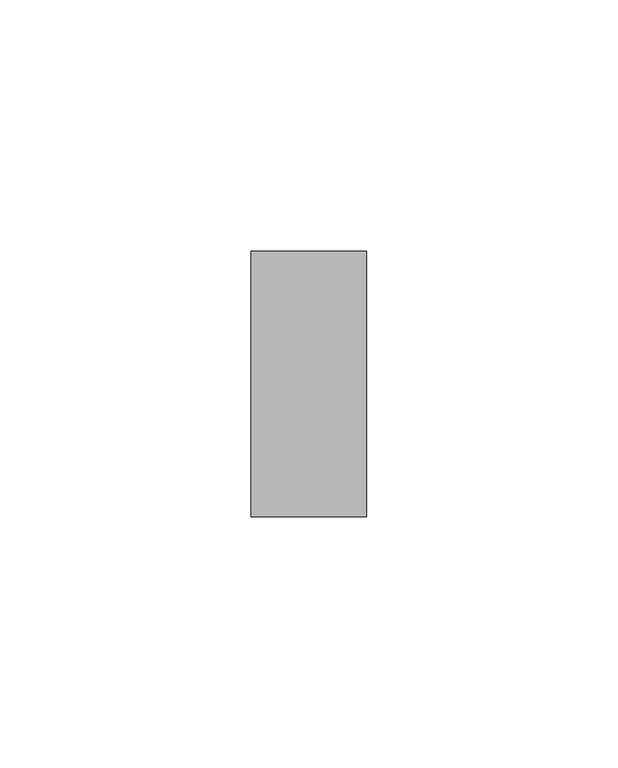
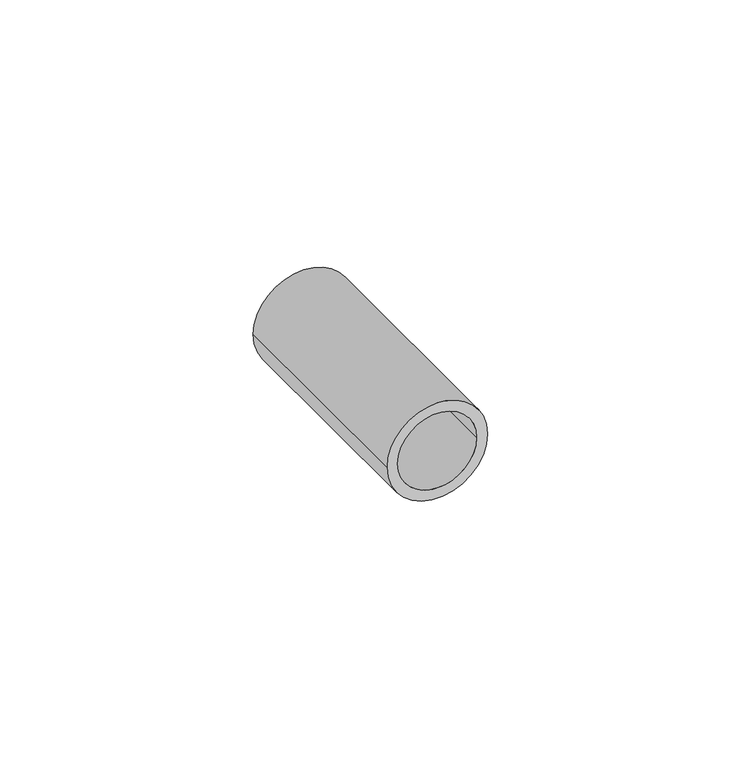
"""IFC4 building model written with IfcOpenShell, lengths in millimetres: proxy geometry."""

from ifc_helpers import new_model, si_unit, point, frame, origin, origin_2d, place, context, project, spatial, circle_curve, trimmed, segment, composite_curve, outline, extrude, source, transform, mapped, element, save


def generic_models_8993bced(model_context):
    return source(origin(), model_context, "Body", "SweptSolid", [
        extrude(outline(composite_curve([segment(trimmed(circle_curve(origin_2d(), 11.5), [point((0.0, -11.5))], [point((0.0, 11.5))], False, "CARTESIAN"), True, "CONTINUOUS"), segment(trimmed(circle_curve(origin_2d(), 11.5), [point((0.0, 11.5))], [point((0.0, -11.5))], False, "CARTESIAN"), True, "CONTINUOUS")], self_intersect=False), holes=[composite_curve([segment(trimmed(circle_curve(origin_2d(), 9.0), [point((0.0, -9.0))], [point((0.0, 9.0))], True, "CARTESIAN"), True, "CONTINUOUS"), segment(trimmed(circle_curve(origin_2d(), 9.0), [point((0.0, 9.0))], [point((0.0, -9.0))], True, "CARTESIAN"), True, "CONTINUOUS")], self_intersect=False)]), frame((0.0, 0.0, 0.0), z_axis=(0.0, 1.0, 0.0), x_axis=(0.0, 0.0, 1.0)), (0.0, 0.0, 1.0), 52.8),
    ])


if __name__ == "__main__":
    model = new_model("IFC4")
    model_context = context("Model", 3, world=origin())
    ifc_project = project(units=[si_unit("LENGTHUNIT", "METRE", prefix="MILLI")], contexts=[model_context])
    site = spatial("IfcSite", under=ifc_project)
    building = spatial("IfcBuilding", under=site)
    placement = place(None, origin())
    generic_models_shape = generic_models_8993bced(model_context)
    element("IfcBuildingElementProxy", 1, Name="Generic Models", at=placement, inside=building, context=model_context, shape_type="MappedRepresentation", body=[
        mapped(generic_models_shape, transform((0.0, 0.0, 0.0), x_axis=(1.0, 0.0, 0.0), y_axis=(0.0, 1.0, 0.0), z_axis=(0.0, 0.0, 1.0))),
    ])
    save(model, "model.ifc")
